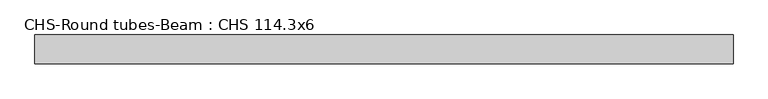
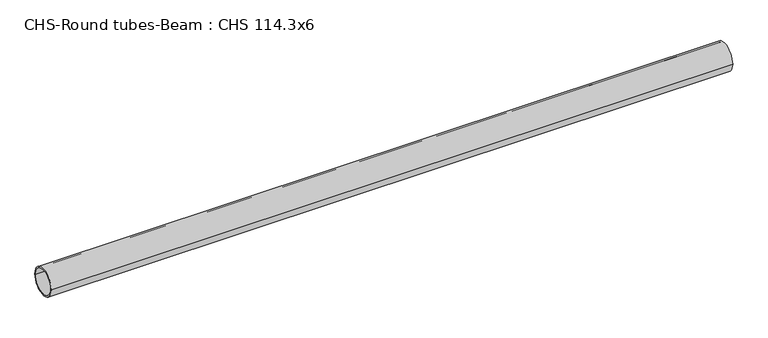
"""IFC4 building model written with IfcOpenShell, lengths in millimetres: beam geometry, CHS-Round tubes-Beam : CHS 114.3x6."""

from ifc_helpers import new_model, si_unit, point, frame, origin, origin_2d, place, context, project, spatial, circle_curve, trimmed, segment, composite_curve, outline, extrude, source, transform, mapped, element, save


def chs_round_tubes_beam_chs_114_3x6_688f11b3(model_context):
    return source(origin(), model_context, "Body", "SweptSolid", [
        extrude(outline(composite_curve([segment(trimmed(circle_curve(origin_2d(), 57.15), [point((57.15, 0.0))], [point((-57.15, 0.0))], False, "CARTESIAN"), True, "CONTINUOUS"), segment(trimmed(circle_curve(origin_2d(), 57.15), [point((-57.15, 0.0))], [point((57.15, 0.0))], False, "CARTESIAN"), True, "CONTINUOUS")], self_intersect=False), holes=[composite_curve([segment(trimmed(circle_curve(origin_2d(), 51.15), [point((51.15, 0.0))], [point((-51.15, 0.0))], True, "CARTESIAN"), True, "CONTINUOUS"), segment(trimmed(circle_curve(origin_2d(), 51.15), [point((-51.15, 0.0))], [point((51.15, 0.0))], True, "CARTESIAN"), True, "CONTINUOUS")], self_intersect=False)]), frame((-1340.9989942, 0.0, 0.0), z_axis=(1.0, 0.0, 0.0), x_axis=(0.0, 1.0, 0.0)), (0.0, 0.0, 1.0), 2779.9052248),
    ])


if __name__ == "__main__":
    model = new_model("IFC4")
    model_context = context("Model", 3, world=origin())
    ifc_project = project(units=[si_unit("LENGTHUNIT", "METRE", prefix="MILLI")], contexts=[model_context])
    site = spatial("IfcSite", under=ifc_project)
    building = spatial("IfcBuilding", under=site)
    placement = place(None, origin())
    chs_round_tubes_beam_chs_114_3x6_shape = chs_round_tubes_beam_chs_114_3x6_688f11b3(model_context)
    element("IfcBeam", 1, ObjectType="CHS-Round tubes-Beam : CHS 114.3x6", at=placement, inside=building, context=model_context, shape_type="MappedRepresentation", body=[
        mapped(chs_round_tubes_beam_chs_114_3x6_shape, transform((0.0, 0.0, 0.0), x_axis=(1.0, 0.0, 0.0), y_axis=(0.0, 1.0, 0.0), z_axis=(0.0, 0.0, 1.0))),
    ])
    save(model, "model.ifc")
